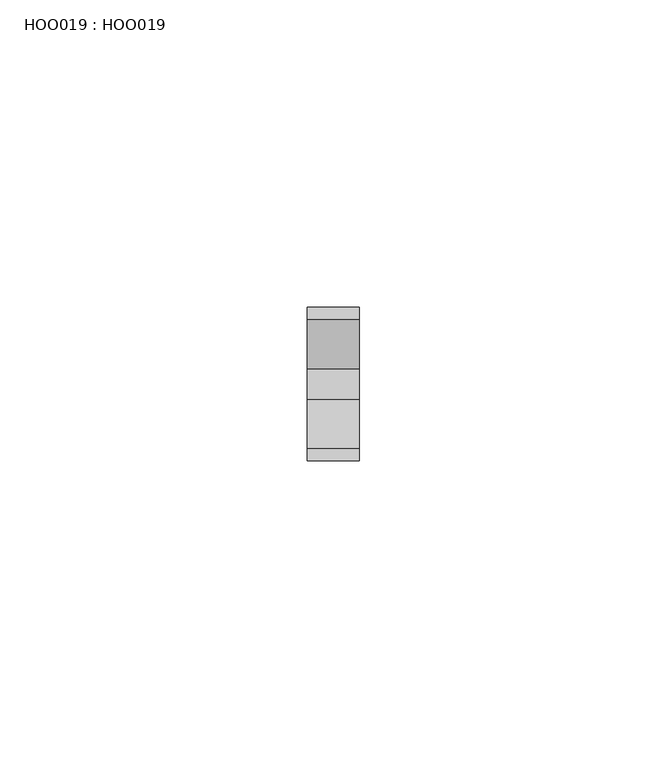
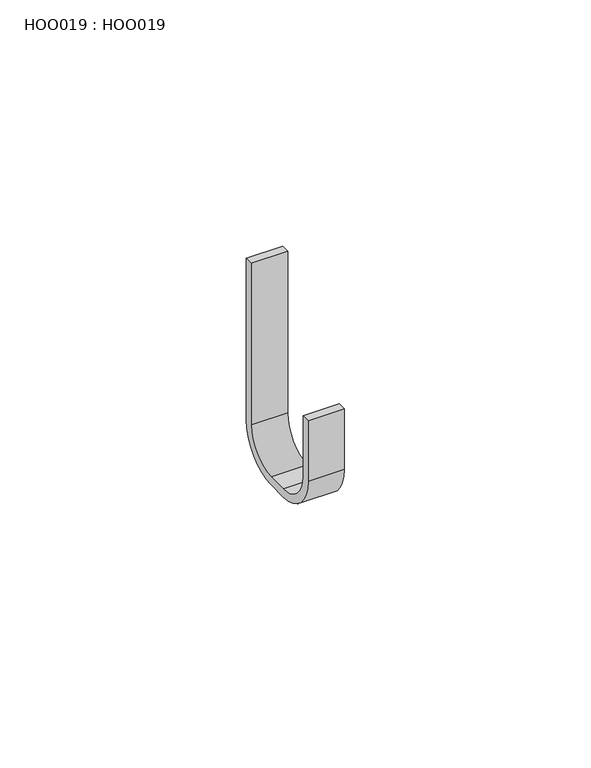
"""IFC4 building model written with IfcOpenShell, lengths in millimetres: proxy geometry, HOO019 : HOO019."""

from ifc_helpers import new_model, si_unit, frame, origin, place, context, project, spatial, polyline, circle_curve, source, transform, mapped, element, save
from ifc_brep_helpers import plane_surface, cylinder_surface, revolved_surface, advanced_brep


def hoo019_hoo019_d95901c8(model_context):
    return source(origin(), model_context, "Body", "AdvancedBrep", [
        advanced_brep(
        [(4.2540753, -2.0126587, 40.0000021), (4.2540753, -2.0126587, 0.0), (4.2540753, -10.0126587, -8.0), (4.2540753, -15.0126584, -8.0000005), (4.2540753, -23.0126587, 0.0), (4.2540753, -23.0126589, 14.9999997), (4.2540753, -25.0126589, 14.9999997), (4.2540753, -25.0126589, 0.0), (4.2540753, -15.0126587, -10.0), (4.2540753, -10.0126593, -10.0000005), (4.2540753, -0.0126587, 0.0), (4.2540753, -0.0126587, 40.0000021), (-4.2540753, -2.0126587, 40.0000021), (-4.2540753, -0.0126587, 40.0000021), (-4.2540753, -0.0126587, 0.0), (-4.2540753, -10.0126587, -10.0), (-4.2540753, -15.0126584, -10.0000005), (-4.2540753, -25.0126587, 0.0), (-4.2540753, -25.0126589, 14.9999997), (-4.2540753, -23.0126589, 14.9999997), (-4.2540753, -23.0126589, 0.0), (-4.2540753, -15.0126587, -8.0), (-4.2540753, -10.0126593, -8.0000005), (-4.2540753, -2.0126587, 0.0)],
        [
            (0, 1),
            (1, 2, circle_curve(frame((4.2540753, -10.0126587, 0.0), z_axis=(-1.0, 0.0, 0.0), x_axis=(0.0, 1.0, 6.153167477242912e-10)), 8.0)),
            (2, 3),
            (3, 4, circle_curve(frame((4.2540753, -15.0126587, 0.0), z_axis=(-1.0, 0.0, 0.0), x_axis=(0.0, 4.1021331920896007e-10, -1.0)), 8.0)),
            (4, 5),
            (5, 6),
            (6, 7),
            (7, 8, circle_curve(frame((4.2540753, -15.0126587, 0.0), z_axis=(1.0, 0.0, 0.0), x_axis=(0.0, 4.1021331920896007e-10, -1.0)), 10.0)),
            (8, 9),
            (9, 10, circle_curve(frame((4.2540753, -10.0126587, 0.0), z_axis=(1.0, 0.0, 0.0), x_axis=(0.0, 1.0, 6.153167477242912e-10)), 10.0)),
            (10, 11),
            (11, 0),
            (12, 13),
            (13, 14),
            (14, 15, circle_curve(frame((-4.2540753, -10.0126587, 0.0), z_axis=(-1.0, 0.0, 0.0), x_axis=(0.0, 1.0, 6.153167477242912e-10)), 10.0)),
            (15, 16),
            (16, 17, circle_curve(frame((-4.2540753, -15.0126587, 0.0), z_axis=(-1.0, 0.0, 0.0), x_axis=(0.0, 4.1021331920896007e-10, -1.0)), 10.0)),
            (17, 18),
            (18, 19),
            (19, 20),
            (20, 21, circle_curve(frame((-4.2540753, -15.0126587, 0.0), z_axis=(1.0, 0.0, 0.0), x_axis=(0.0, 4.1021331920896007e-10, -1.0)), 8.0)),
            (21, 22),
            (22, 23, circle_curve(frame((-4.2540753, -10.0126587, 0.0), z_axis=(1.0, 0.0, 0.0), x_axis=(0.0, 1.0, 6.153167477242912e-10)), 8.0)),
            (23, 12),
            (0, 12),
            (23, 1),
            (22, 2),
            (21, 3),
            (20, 4),
            (19, 5),
            (18, 6),
            (17, 7),
            (16, 8),
            (15, 9),
            (14, 10),
            (13, 11),
        ],
        [
            plane_surface(frame((4.2540753, -2.0126587, 40.0000021), z_axis=(1.0, 0.0, 0.0), x_axis=(0.0, 0.0, -1.0))),
            plane_surface(frame((-4.2540753, -2.0126587, 40.0000021), z_axis=(-1.0, 0.0, 0.0), x_axis=(0.0, 0.0, 1.0))),
            plane_surface(frame((4.2540753, -2.0126587, 40.0000021), z_axis=(0.0, -1.0, 0.0), x_axis=(-1.0, 0.0, 0.0))),
            revolved_surface(polyline([(-4.2540753, -2.0126586999999994, 4.92253398179433e-09), (4.2540753, -2.0126586999999994, 4.92253398179433e-09)]), (-4.2540753, -10.0126587, 0.0), (-1.0, 0.0, 0.0)),
            plane_surface(frame((4.2540753, -10.0126593, -8.0000005), z_axis=(0.0, 0.0, 1.0), x_axis=(-1.0, 0.0, 0.0))),
            revolved_surface(polyline([(-4.2540753, -15.012658696718292, -8.0), (4.2540753, -15.012658696718292, -8.0)]), (-4.2540753, -15.0126587, 0.0), (-1.0, 0.0, 0.0)),
            plane_surface(frame((4.2540753, -23.0126589, 0.0), z_axis=(0.0, 1.0, 0.0), x_axis=(-1.0, 0.0, 0.0))),
            plane_surface(frame((4.2540753, -23.0126589, 14.9999997), z_axis=(0.0, 0.0, 1.0), x_axis=(-1.0, 0.0, 0.0))),
            plane_surface(frame((4.2540753, -25.0126589, 14.9999997), z_axis=(0.0, -1.0, 0.0), x_axis=(-1.0, 0.0, 0.0))),
            cylinder_surface(frame((-4.2540753, -15.0126587, 0.0), z_axis=(1.0, 0.0, 0.0), x_axis=(0.0, 4.1021331920896007e-10, -1.0)), 10.0),
            plane_surface(frame((4.2540753, -15.0126584, -10.0000005), z_axis=(0.0, 0.0, -1.0), x_axis=(-1.0, 0.0, 0.0))),
            cylinder_surface(frame((-4.2540753, -10.0126587, 0.0), z_axis=(1.0, 0.0, 0.0), x_axis=(0.0, 1.0, 6.153167477242912e-10)), 10.0),
            plane_surface(frame((4.2540753, -0.0126587, 0.0), z_axis=(0.0, 1.0, 0.0), x_axis=(-1.0, 0.0, 0.0))),
            plane_surface(frame((4.2540753, -0.0126587, 40.0000021), z_axis=(0.0, 0.0, 1.0), x_axis=(-1.0, 0.0, 0.0))),
        ],
        [
            (0, [[1, 2, 3, 4, 5, 6, 7, 8, 9, 10, 11, 12]]),
            (1, [[13, 14, 15, 16, 17, 18, 19, 20, 21, 22, 23, 24]]),
            (2, [[-1, 25, -24, 26]]),
            (3, [[-2, -26, -23, 27]]),
            (4, [[-3, -27, -22, 28]]),
            (5, [[-4, -28, -21, 29]]),
            (6, [[-5, -29, -20, 30]]),
            (7, [[-6, -30, -19, 31]]),
            (8, [[-7, -31, -18, 32]]),
            (9, [[-8, -32, -17, 33]]),
            (10, [[-9, -33, -16, 34]]),
            (11, [[-10, -34, -15, 35]]),
            (12, [[-11, -35, -14, 36]]),
            (13, [[-12, -36, -13, -25]]),
        ],
    ),
    ])


if __name__ == "__main__":
    model = new_model("IFC4")
    model_context = context("Model", 3, world=origin())
    ifc_project = project(units=[si_unit("LENGTHUNIT", "METRE", prefix="MILLI")], contexts=[model_context])
    site = spatial("IfcSite", under=ifc_project)
    building = spatial("IfcBuilding", under=site)
    placement = place(None, origin())
    hoo019_hoo019_shape = hoo019_hoo019_d95901c8(model_context)
    element("IfcBuildingElementProxy", 1, Name="HOO019 : HOO019", ObjectType="HOO019 : HOO019", at=placement, inside=building, context=model_context, shape_type="MappedRepresentation", body=[
        mapped(hoo019_hoo019_shape, transform((0.0, 0.0, 0.0), x_axis=(1.0, 0.0, 0.0), y_axis=(0.0, 1.0, 0.0), z_axis=(0.0, 0.0, 1.0))),
    ])
    save(model, "model.ifc")
